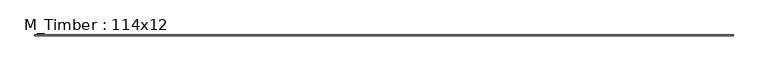
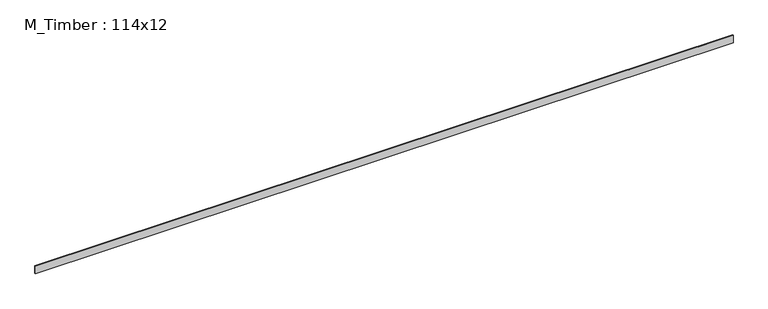
"""IFC4 building model written with IfcOpenShell, lengths in millimetres: beam geometry, M_Timber : 114x12."""

from ifc_helpers import new_model, si_unit, frame, origin, place, context, project, spatial, polyline, outline, extrude, source, transform, mapped, element, save


def m_timber_114x12_8105858d(model_context):
    return source(origin(), model_context, "Body", "SweptSolid", [
        extrude(outline(polyline([(5100.0, 6.0), (5100.0, -6.0), (-5100.0, -6.0), (-5100.0, 6.0), (5100.0, 6.0)])), frame((0.0, 0.0, -57.0), z_axis=(0.0, 0.0, 1.0), x_axis=(1.0, 0.0, 0.0)), (0.0, 0.0, 1.0), 114.0),
    ])


if __name__ == "__main__":
    model = new_model("IFC4")
    model_context = context("Model", 3, world=origin())
    ifc_project = project(units=[si_unit("LENGTHUNIT", "METRE", prefix="MILLI")], contexts=[model_context])
    site = spatial("IfcSite", under=ifc_project)
    building = spatial("IfcBuilding", under=site)
    placement = place(None, origin())
    m_timber_114x12_shape = m_timber_114x12_8105858d(model_context)
    element("IfcBeam", 1, ObjectType="M_Timber : 114x12", at=placement, inside=building, context=model_context, shape_type="MappedRepresentation", body=[
        mapped(m_timber_114x12_shape, transform((0.0, 0.0, 0.0), x_axis=(1.0, 0.0, 0.0), y_axis=(0.0, 1.0, 0.0), z_axis=(0.0, 0.0, 1.0))),
    ])
    save(model, "model.ifc")
